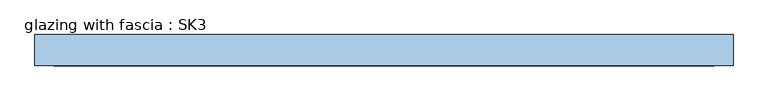
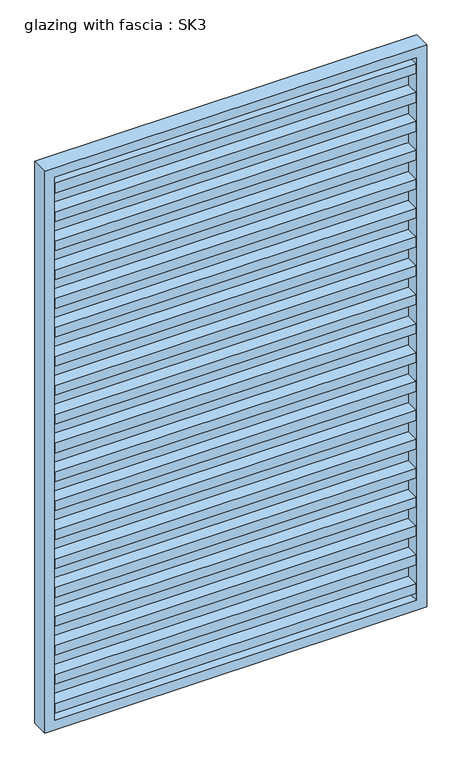
"""IFC4 building model written with IfcOpenShell, lengths in millimetres: window geometry, glazing with fascia : SK3."""

from ifc_helpers import new_model, si_unit, frame, origin, place, context, project, spatial, polyline, outline, extrude, source, transform, mapped, element, save


def glazing_with_fascia_sk3_0d97fcfa(model_context):
    return source(origin(), model_context, "Body", "SweptSolid", [
        extrude(outline(polyline([(532.5, -0.1334055), (532.5, -8.1334055), (-532.5, -8.1334055), (-532.5, -0.1334055), (532.5, -0.1334055)])), frame((0.0, 0.0, 30.0), z_axis=(0.0, 0.0, 1.0), x_axis=(1.0, 0.0, 0.0)), (0.0, 0.0, 1.0), 1690.0),
        extrude(outline(polyline([(1750.0, -562.5), (0.0, -562.5), (0.0, 562.5), (1750.0, 562.5), (1750.0, -562.5)]), holes=[polyline([(1720.0, -532.5), (1720.0, 532.5), (30.0, 532.5), (30.0, -532.5), (1720.0, -532.5)])]), frame((0.0, -50.0, 0.0), z_axis=(0.0, 1.0, 0.0), x_axis=(0.0, 0.0, 1.0)), (0.0, 0.0, 1.0), 50.0),
        extrude(outline(polyline([(-532.5, -48.1334055), (-532.5, -8.1334055), (532.5, -8.1334055), (532.5, -48.1334055), (-532.5, -48.1334055)])), frame((0.0, 0.0, 1580.4), z_axis=(0.0, 0.0, 1.0), x_axis=(1.0, 0.0, 0.0)), (0.0, 0.0, 1.0), 30.0),
        extrude(outline(polyline([(-532.5, -48.1334055), (-532.5, -8.1334055), (532.5, -8.1334055), (532.5, -48.1334055), (-532.5, -48.1334055)])), frame((0.0, 0.0, 1490.4), z_axis=(0.0, 0.0, 1.0), x_axis=(1.0, 0.0, 0.0)), (0.0, 0.0, 1.0), 30.0),
        extrude(outline(polyline([(-532.5, -48.1334055), (-532.5, -8.1334055), (532.5, -8.1334055), (532.5, -48.1334055), (-532.5, -48.1334055)])), frame((0.0, 0.0, 1400.4), z_axis=(0.0, 0.0, 1.0), x_axis=(1.0, 0.0, 0.0)), (0.0, 0.0, 1.0), 30.0),
        extrude(outline(polyline([(-532.5, -48.1334055), (-532.5, -8.1334055), (532.5, -8.1334055), (532.5, -48.1334055), (-532.5, -48.1334055)])), frame((0.0, 0.0, 1310.4), z_axis=(0.0, 0.0, 1.0), x_axis=(1.0, 0.0, 0.0)), (0.0, 0.0, 1.0), 30.0),
        extrude(outline(polyline([(-532.5, -48.1334055), (-532.5, -8.1334055), (532.5, -8.1334055), (532.5, -48.1334055), (-532.5, -48.1334055)])), frame((0.0, 0.0, 1220.4), z_axis=(0.0, 0.0, 1.0), x_axis=(1.0, 0.0, 0.0)), (0.0, 0.0, 1.0), 30.0),
        extrude(outline(polyline([(-532.5, -48.1334055), (-532.5, -8.1334055), (532.5, -8.1334055), (532.5, -48.1334055), (-532.5, -48.1334055)])), frame((0.0, 0.0, 1130.4), z_axis=(0.0, 0.0, 1.0), x_axis=(1.0, 0.0, 0.0)), (0.0, 0.0, 1.0), 30.0),
        extrude(outline(polyline([(-532.5, -48.1334055), (-532.5, -8.1334055), (532.5, -8.1334055), (532.5, -48.1334055), (-532.5, -48.1334055)])), frame((0.0, 0.0, 1040.4), z_axis=(0.0, 0.0, 1.0), x_axis=(1.0, 0.0, 0.0)), (0.0, 0.0, 1.0), 30.0),
        extrude(outline(polyline([(-532.5, -48.1334055), (-532.5, -8.1334055), (532.5, -8.1334055), (532.5, -48.1334055), (-532.5, -48.1334055)])), frame((0.0, 0.0, 950.4), z_axis=(0.0, 0.0, 1.0), x_axis=(1.0, 0.0, 0.0)), (0.0, 0.0, 1.0), 30.0),
        extrude(outline(polyline([(-532.5, -48.1334055), (-532.5, -8.1334055), (532.5, -8.1334055), (532.5, -48.1334055), (-532.5, -48.1334055)])), frame((0.0, 0.0, 860.4), z_axis=(0.0, 0.0, 1.0), x_axis=(1.0, 0.0, 0.0)), (0.0, 0.0, 1.0), 30.0),
        extrude(outline(polyline([(-532.5, -48.1334055), (-532.5, -8.1334055), (532.5, -8.1334055), (532.5, -48.1334055), (-532.5, -48.1334055)])), frame((0.0, 0.0, 770.4), z_axis=(0.0, 0.0, 1.0), x_axis=(1.0, 0.0, 0.0)), (0.0, 0.0, 1.0), 30.0),
        extrude(outline(polyline([(-532.5, -48.1334055), (-532.5, -8.1334055), (532.5, -8.1334055), (532.5, -48.1334055), (-532.5, -48.1334055)])), frame((0.0, 0.0, 680.4), z_axis=(0.0, 0.0, 1.0), x_axis=(1.0, 0.0, 0.0)), (0.0, 0.0, 1.0), 30.0),
        extrude(outline(polyline([(-532.5, -48.1334055), (-532.5, -8.1334055), (532.5, -8.1334055), (532.5, -48.1334055), (-532.5, -48.1334055)])), frame((0.0, 0.0, 590.4), z_axis=(0.0, 0.0, 1.0), x_axis=(1.0, 0.0, 0.0)), (0.0, 0.0, 1.0), 30.0),
        extrude(outline(polyline([(-532.5, -48.1334055), (-532.5, -8.1334055), (532.5, -8.1334055), (532.5, -48.1334055), (-532.5, -48.1334055)])), frame((0.0, 0.0, 500.4), z_axis=(0.0, 0.0, 1.0), x_axis=(1.0, 0.0, 0.0)), (0.0, 0.0, 1.0), 30.0),
        extrude(outline(polyline([(-532.5, -48.1334055), (-532.5, -8.1334055), (532.5, -8.1334055), (532.5, -48.1334055), (-532.5, -48.1334055)])), frame((0.0, 0.0, 410.4), z_axis=(0.0, 0.0, 1.0), x_axis=(1.0, 0.0, 0.0)), (0.0, 0.0, 1.0), 30.0),
        extrude(outline(polyline([(-532.5, -48.1334055), (-532.5, -8.1334055), (532.5, -8.1334055), (532.5, -48.1334055), (-532.5, -48.1334055)])), frame((0.0, 0.0, 320.4), z_axis=(0.0, 0.0, 1.0), x_axis=(1.0, 0.0, 0.0)), (0.0, 0.0, 1.0), 30.0),
        extrude(outline(polyline([(-532.5, -48.1334055), (-532.5, -8.1334055), (532.5, -8.1334055), (532.5, -48.1334055), (-532.5, -48.1334055)])), frame((0.0, 0.0, 230.4), z_axis=(0.0, 0.0, 1.0), x_axis=(1.0, 0.0, 0.0)), (0.0, 0.0, 1.0), 30.0),
        extrude(outline(polyline([(-532.5, -48.1334055), (-532.5, -8.1334055), (532.5, -8.1334055), (532.5, -48.1334055), (-532.5, -48.1334055)])), frame((0.0, 0.0, 140.4), z_axis=(0.0, 0.0, 1.0), x_axis=(1.0, 0.0, 0.0)), (0.0, 0.0, 1.0), 30.0),
        extrude(outline(polyline([(-532.5, -48.1334055), (-532.5, -8.1334055), (532.5, -8.1334055), (532.5, -48.1334055), (-532.5, -48.1334055)])), frame((0.0, 0.0, 50.4), z_axis=(0.0, 0.0, 1.0), x_axis=(1.0, 0.0, 0.0)), (0.0, 0.0, 1.0), 30.0),
        extrude(outline(polyline([(-532.5, -48.1334055), (-532.5, -8.1334055), (532.5, -8.1334055), (532.5, -48.1334055), (-532.5, -48.1334055)])), frame((0.0, 0.0, 1670.0), z_axis=(0.0, 0.0, 1.0), x_axis=(1.0, 0.0, 0.0)), (0.0, 0.0, 1.0), 30.0),
    ])


if __name__ == "__main__":
    model = new_model("IFC4")
    model_context = context("Model", 3, world=origin())
    ifc_project = project(units=[si_unit("LENGTHUNIT", "METRE", prefix="MILLI")], contexts=[model_context])
    site = spatial("IfcSite", under=ifc_project)
    building = spatial("IfcBuilding", under=site)
    placement = place(None, origin())
    glazing_with_fascia_sk3_shape = glazing_with_fascia_sk3_0d97fcfa(model_context)
    element("IfcWindow", 1, ObjectType="glazing with fascia : SK3", at=placement, inside=building, context=model_context, shape_type="MappedRepresentation", body=[
        mapped(glazing_with_fascia_sk3_shape, transform((0.0, 0.0, 0.0), x_axis=(1.0, 0.0, 0.0), y_axis=(0.0, 1.0, 0.0), z_axis=(0.0, 0.0, 1.0))),
    ])
    save(model, "model.ifc")
